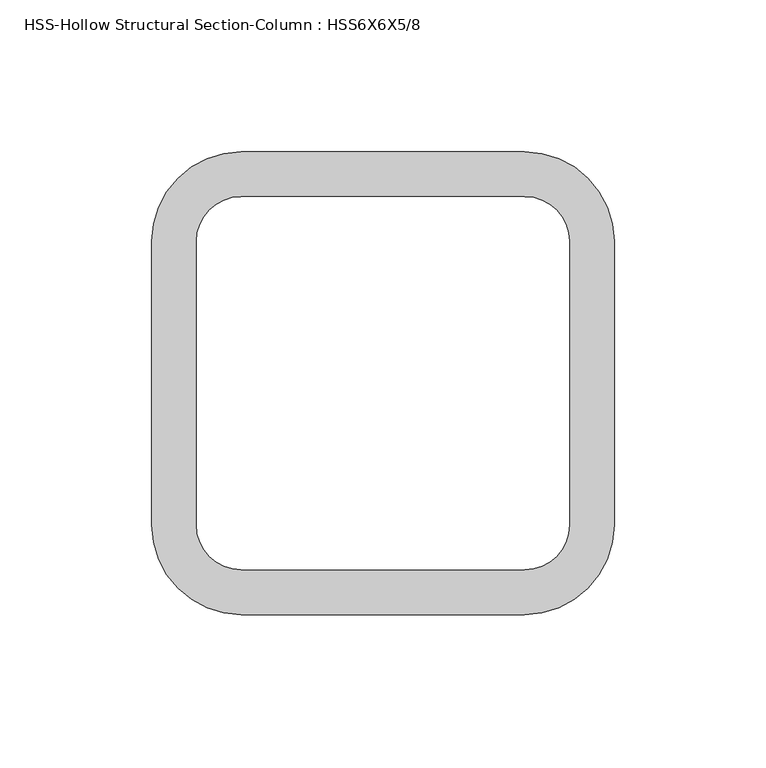
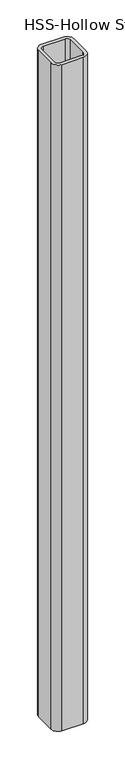
"""IFC4 building model written with IfcOpenShell, lengths in millimetres: column geometry, HSS-Hollow Structural Section-Column : HSS6X6X5/8."""

from ifc_helpers import new_model, si_unit, point, frame, frame_2d, origin, place, context, project, spatial, polyline, circle_curve, trimmed, segment, composite_curve, outline, extrude, source, transform, mapped, element, save


def hss_hollow_structural_section_column_hss6x6x5_8_4774fadd(model_context):
    return source(origin(), model_context, "Body", "SweptSolid", [
        extrude(outline(composite_curve([segment(trimmed(circle_curve(frame_2d((46.6852, 46.6852)), 29.5148), [point((46.6852, 76.2))], [point((76.2, 46.6852))], False, "CARTESIAN"), True, "CONTINUOUS"), segment(polyline([(76.2, 46.6852), (76.2, -46.6852)]), True, "CONTINUOUS"), segment(trimmed(circle_curve(frame_2d((46.6852, -46.6852)), 29.5148), [point((76.2, -46.6852))], [point((46.6852, -76.2))], False, "CARTESIAN"), True, "CONTINUOUS"), segment(polyline([(46.6852, -76.2), (-46.6852, -76.2)]), True, "CONTINUOUS"), segment(trimmed(circle_curve(frame_2d((-46.6852, -46.6852)), 29.5148), [point((-46.6852, -76.2))], [point((-76.2, -46.6852))], False, "CARTESIAN"), True, "CONTINUOUS"), segment(polyline([(-76.2, -46.6852), (-76.2, 46.6852)]), True, "CONTINUOUS"), segment(trimmed(circle_curve(frame_2d((-46.6852, 46.6852)), 29.5148), [point((-76.2, 46.6852))], [point((-46.6852, 76.2))], False, "CARTESIAN"), True, "CONTINUOUS"), segment(polyline([(-46.6852, 76.2), (46.6852, 76.2)]), True, "CONTINUOUS")], self_intersect=False), holes=[composite_curve([segment(polyline([(46.6852, 61.4426), (-46.6852, 61.4426)]), True, "CONTINUOUS"), segment(trimmed(circle_curve(frame_2d((-46.6852, 46.6852)), 14.7574), [point((-46.6852, 61.4426))], [point((-61.4426, 46.6852))], True, "CARTESIAN"), True, "CONTINUOUS"), segment(polyline([(-61.4426, 46.6852), (-61.4426, -46.6852)]), True, "CONTINUOUS"), segment(trimmed(circle_curve(frame_2d((-46.6852, -46.6852)), 14.7574), [point((-61.4426, -46.6852))], [point((-46.6852, -61.4426))], True, "CARTESIAN"), True, "CONTINUOUS"), segment(polyline([(-46.6852, -61.4426), (46.6852, -61.4426)]), True, "CONTINUOUS"), segment(trimmed(circle_curve(frame_2d((46.6852, -46.6852)), 14.7574), [point((46.6852, -61.4426))], [point((61.4426, -46.6852))], True, "CARTESIAN"), True, "CONTINUOUS"), segment(polyline([(61.4426, -46.6852), (61.4426, 46.6852)]), True, "CONTINUOUS"), segment(trimmed(circle_curve(frame_2d((46.6852, 46.6852)), 14.7574), [point((61.4426, 46.6852))], [point((46.6852, 61.4426))], True, "CARTESIAN"), True, "CONTINUOUS")], self_intersect=False)]), frame((0.0, 0.0, 6096.0), z_axis=(0.0, 0.0, 1.0), x_axis=(1.0, 0.0, 0.0)), (0.0, 0.0, 1.0), 3048.0),
    ])


if __name__ == "__main__":
    model = new_model("IFC4")
    model_context = context("Model", 3, world=origin())
    ifc_project = project(units=[si_unit("LENGTHUNIT", "METRE", prefix="MILLI")], contexts=[model_context])
    site = spatial("IfcSite", under=ifc_project)
    building = spatial("IfcBuilding", under=site)
    placement = place(None, origin())
    hss_hollow_structural_section_column_hss6x6x5_8_shape = hss_hollow_structural_section_column_hss6x6x5_8_4774fadd(model_context)
    element("IfcColumn", 1, ObjectType="HSS-Hollow Structural Section-Column : HSS6X6X5/8", at=placement, inside=building, context=model_context, shape_type="MappedRepresentation", body=[
        mapped(hss_hollow_structural_section_column_hss6x6x5_8_shape, transform((0.0, 0.0, 0.0), x_axis=(1.0, 0.0, 0.0), y_axis=(0.0, 1.0, 0.0), z_axis=(0.0, 0.0, 1.0))),
    ])
    save(model, "model.ifc")
